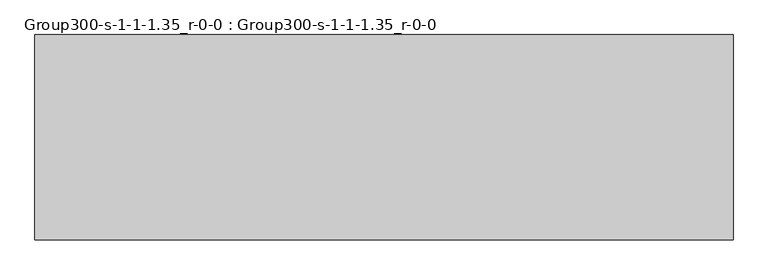
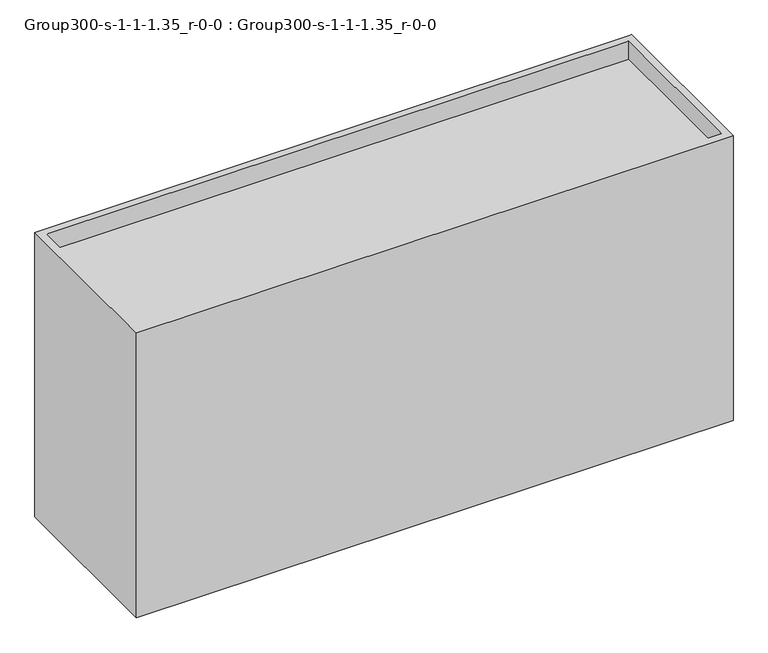
"""IFC4 building model written with IfcOpenShell, lengths in millimetres: geographic element geometry, Group300-s-1-1-1.35_r-0-0 : Group300-s-1-1-1.35_r-0-0."""

from ifc_helpers import new_model, si_unit, origin, place, context, project, spatial, triangles, source, transform, mapped, element, save


def group300_s_1_1_1_35_r_0_0_group300_s_1_1_1_35_r_0_0_3461b2c2(model_context):
    return source(origin(), model_context, "Body", "Tessellation", [
        triangles([(16976.7253876, 7585.0748062, 0.0), (-8792.4749451, 0.0, 0.0), (-8792.4749451, 7585.0748062, 0.0), (16976.7253876, 0.0, 0.0), (-8792.4749451, 0.0, 13009.4721954), (16976.7253876, 0.0, 13009.4721954), (-8487.6749451, 304.8, 13009.4721954), (-8792.4749451, 7585.0748062, 13009.4721954), (16671.9253876, 304.8, 13009.4721954), (16671.9253876, 7280.2748062, 13009.4721954), (-8487.6749451, 7280.2748062, 13009.4721954), (16976.7253876, 7585.0748062, 13009.4721954), (-8487.6749451, 7280.2748062, 12186.5119629), (-8487.6749451, 304.8, 12186.5119629), (16671.9253876, 304.8, 12186.5119629), (16671.9253876, 7280.2748062, 12186.5119629)], [[1, 2, 3], [2, 1, 4], [4, 5, 2], [5, 4, 6], [5, 7, 8], [7, 5, 6], [7, 6, 9], [9, 6, 10], [8, 11, 12], [11, 8, 7], [12, 11, 10], [12, 10, 6], [13, 7, 14], [7, 13, 11], [8, 1, 3], [1, 8, 12], [1, 6, 4], [6, 1, 12], [10, 15, 9], [15, 10, 16], [15, 13, 14], [13, 15, 16], [10, 13, 16], [13, 10, 11], [7, 15, 14], [15, 7, 9], [5, 3, 2], [3, 5, 8]]),
    ])


if __name__ == "__main__":
    model = new_model("IFC4")
    model_context = context("Model", 3, world=origin())
    ifc_project = project(units=[si_unit("LENGTHUNIT", "METRE", prefix="MILLI")], contexts=[model_context])
    site = spatial("IfcSite", under=ifc_project)
    building = spatial("IfcBuilding", under=site)
    placement = place(None, origin())
    group300_s_1_1_1_35_r_0_0_group300_s_1_1_1_35_r_0_0_shape = group300_s_1_1_1_35_r_0_0_group300_s_1_1_1_35_r_0_0_3461b2c2(model_context)
    element("IfcGeographicElement", 1, ObjectType="Group300-s-1-1-1.35_r-0-0 : Group300-s-1-1-1.35_r-0-0", at=placement, inside=building, context=model_context, shape_type="MappedRepresentation", body=[
        mapped(group300_s_1_1_1_35_r_0_0_group300_s_1_1_1_35_r_0_0_shape, transform((0.0, 0.0, 0.0), x_axis=(1.0, 0.0, 0.0), y_axis=(0.0, 1.0, 0.0), z_axis=(0.0, 0.0, 1.0))),
    ])
    save(model, "model.ifc")
